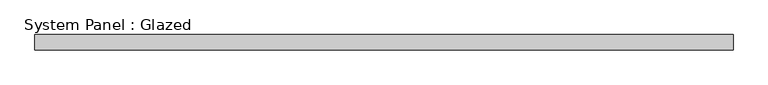
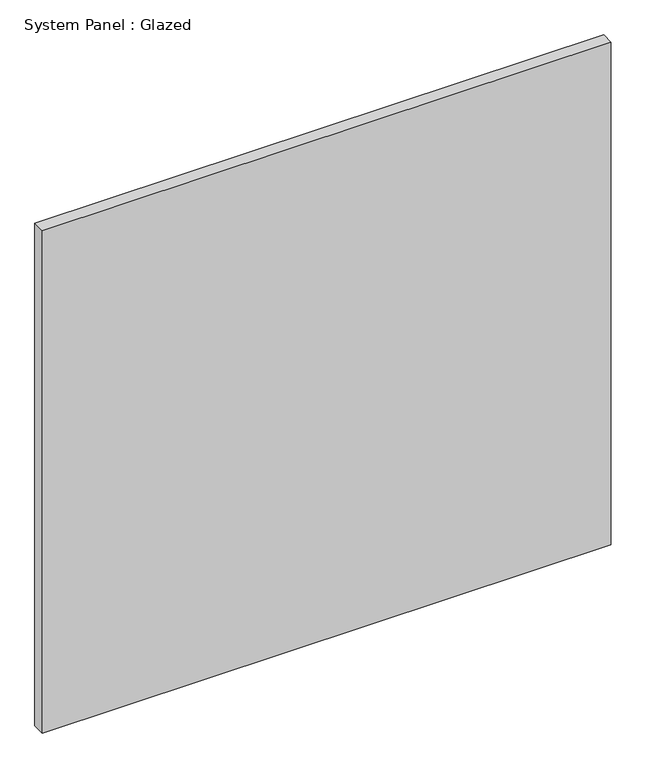
"""IFC4 building model written with IfcOpenShell, lengths in millimetres: plate geometry, System Panel : Glazed."""

from ifc_helpers import new_model, si_unit, origin, origin_with_axes, place, context, project, spatial, polyline, outline, extrude, source, transform, mapped, element, save


def system_panel_glazed_b1cc978e(model_context):
    return source(origin(), model_context, "Body", "SweptSolid", [
        extrude(outline(polyline([(571.5, -12.7), (-571.5, -12.7), (-571.5, 12.7), (571.5, 12.7), (571.5, -12.7)])), origin_with_axes(), (0.0, 0.0, 1.0), 1066.8),
    ])


if __name__ == "__main__":
    model = new_model("IFC4")
    model_context = context("Model", 3, world=origin())
    ifc_project = project(units=[si_unit("LENGTHUNIT", "METRE", prefix="MILLI")], contexts=[model_context])
    site = spatial("IfcSite", under=ifc_project)
    building = spatial("IfcBuilding", under=site)
    placement = place(None, origin())
    system_panel_glazed_shape = system_panel_glazed_b1cc978e(model_context)
    element("IfcPlate", 1, ObjectType="System Panel : Glazed", at=placement, inside=building, context=model_context, shape_type="MappedRepresentation", body=[
        mapped(system_panel_glazed_shape, transform((0.0, 0.0, 0.0), x_axis=(1.0, 0.0, 0.0), y_axis=(0.0, 1.0, 0.0), z_axis=(0.0, 0.0, 1.0))),
    ])
    save(model, "model.ifc")
